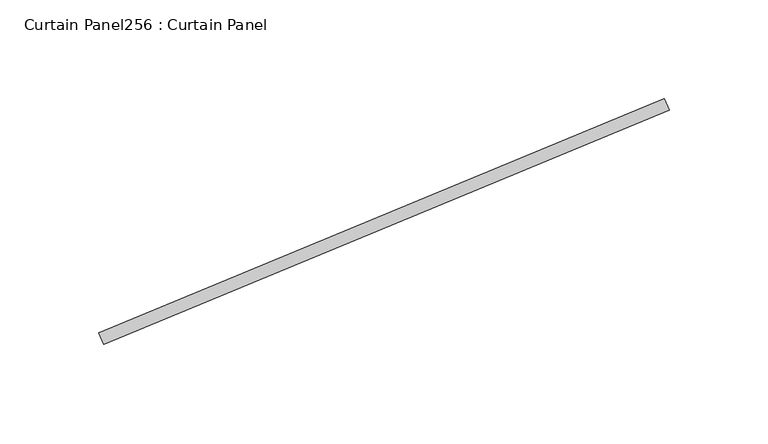
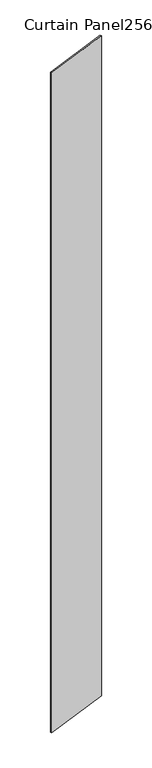
"""IFC4 building model written with IfcOpenShell, lengths in millimetres: plate geometry, Curtain Panel256 : Curtain Panel."""

from ifc_helpers import new_model, si_unit, frame, origin, place, context, project, spatial, polyline, outline, extrude, source, transform, mapped, element, save


def curtain_panel256_curtain_panel_2eb36893(model_context):
    return source(origin(), model_context, "Body", "SweptSolid", [
        extrude(outline(polyline([(578467.6716472, 3029.553542), (578181.2950871, 2910.9324868), (578178.8650473, 2916.7991219), (578465.2416074, 3035.4201771), (578467.6716472, 3029.553542)])), frame((0.0, 0.0, 4959.7989371), z_axis=(0.0, 0.0, 1.0), x_axis=(1.0, 0.0, 0.0)), (0.0, 0.0, 1.0), 3048.0),
    ])


if __name__ == "__main__":
    model = new_model("IFC4")
    model_context = context("Model", 3, world=origin())
    ifc_project = project(units=[si_unit("LENGTHUNIT", "METRE", prefix="MILLI")], contexts=[model_context])
    site = spatial("IfcSite", under=ifc_project)
    building = spatial("IfcBuilding", under=site)
    placement = place(None, origin())
    curtain_panel256_curtain_panel_shape = curtain_panel256_curtain_panel_2eb36893(model_context)
    element("IfcPlate", 1, ObjectType="Curtain Panel256 : Curtain Panel", at=placement, inside=building, context=model_context, shape_type="MappedRepresentation", body=[
        mapped(curtain_panel256_curtain_panel_shape, transform((0.0, 0.0, 0.0), x_axis=(1.0, 0.0, 0.0), y_axis=(0.0, 1.0, 0.0), z_axis=(0.0, 0.0, 1.0))),
    ])
    save(model, "model.ifc")
